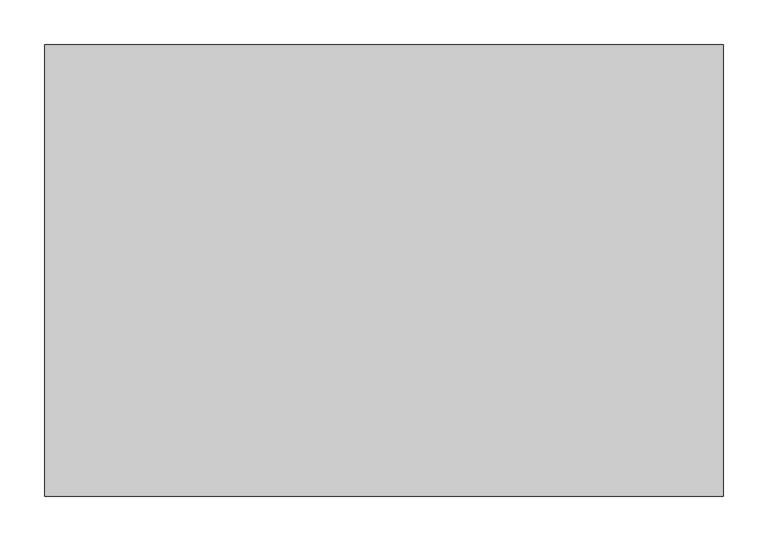
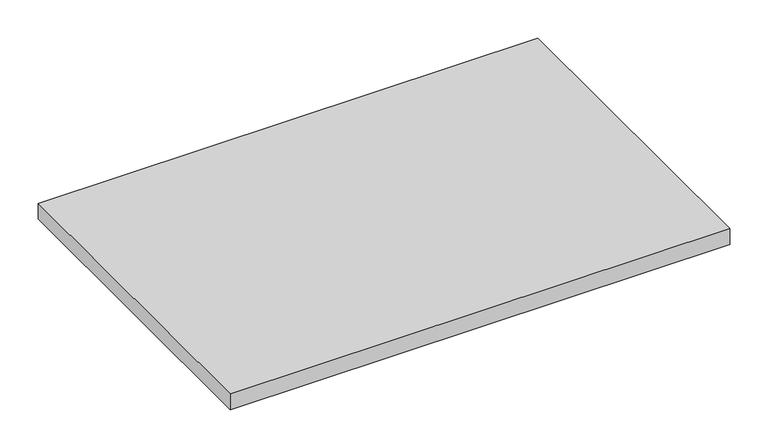
"""IFC4 building model written with IfcOpenShell, lengths in millimetres: furniture geometry."""

from ifc_helpers import new_model, si_unit, frame, origin, place, context, project, spatial, polyline, outline, extrude, source, transform, mapped, element, save


def furniture_cef3aa87(model_context):
    return source(origin(), model_context, "Body", "SweptSolid", [
        extrude(outline(polyline([(760.3998, -548.7539634), (760.3998, -1053.7059634), (1.6002, -1053.7059634), (1.6002, -548.7539634), (760.3998, -548.7539634)])), frame((0.0, 0.0, 562.25948), z_axis=(0.0, 0.0, 1.0), x_axis=(1.0, 0.0, 0.0)), (0.0, 0.0, 1.0), 25.4),
    ])


if __name__ == "__main__":
    model = new_model("IFC4")
    model_context = context("Model", 3, world=origin())
    ifc_project = project(units=[si_unit("LENGTHUNIT", "METRE", prefix="MILLI")], contexts=[model_context])
    site = spatial("IfcSite", under=ifc_project)
    building = spatial("IfcBuilding", under=site)
    placement = place(None, origin())
    furniture_shape = furniture_cef3aa87(model_context)
    element("IfcFurniture", 1, at=placement, inside=building, context=model_context, shape_type="MappedRepresentation", body=[
        mapped(furniture_shape, transform((0.0, 0.0, 0.0), x_axis=(1.0, 0.0, 0.0), y_axis=(0.0, 1.0, 0.0), z_axis=(0.0, 0.0, 1.0))),
    ])
    save(model, "model.ifc")
